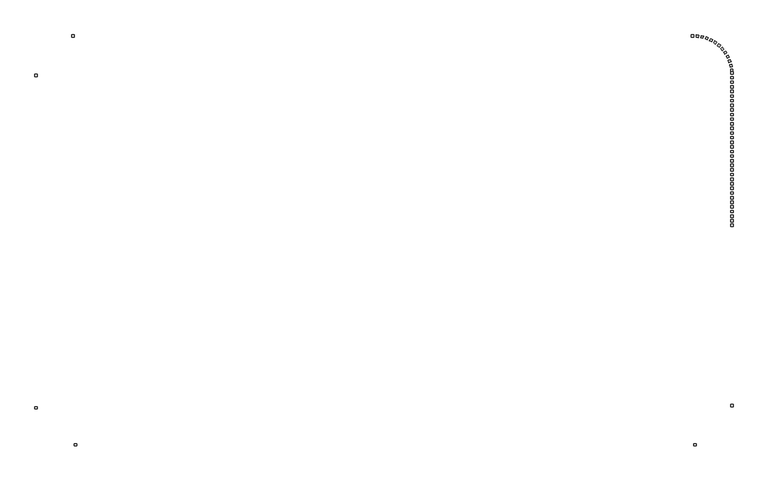
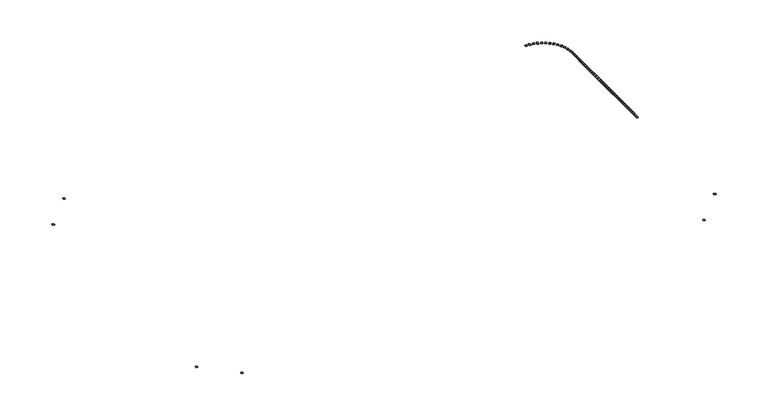
"""IFC4 building model written with IfcOpenShell, lengths in millimetres: railing geometry."""

import ifcopenshell
import ifcopenshell.guid

model = None  # the IFC model being written
_history = None  # IfcOwnerHistory: only IFC2X3 demands one
_inside = {}  # id of a spatial element -> (the spatial element, [elements in it])
_under = {}  # id of a project, library or spatial element -> (it, [spatial elements below it])
_declared = {}  # id of a project -> (the project, [libraries it declares])
_typed = {}  # id of a type object -> (the type object, [elements of that type])
_made_of = {}  # id of a material, layer set ... -> (it, [elements and type objects made of it])


def new_model(schema):
    """Start an empty IFC model of exactly this schema.

    Asked for "IFC4X3", IfcOpenShell would pick the latest addendum, in which some entities
    have other attributes; the version numbers below select the first issue.
    IFC2X3 requires an IfcOwnerHistory on every rooted entity: one is made here for all.
    """
    global model, _history
    if schema == "IFC4X3":
        model = ifcopenshell.file(schema_version=(4, 3, 0, 0))
    else:
        model = ifcopenshell.file(schema=schema)
    _inside.clear()
    _under.clear()
    _declared.clear()
    _typed.clear()
    _made_of.clear()
    _history = None
    if model.schema == "IFC2X3":
        org = make("IfcOrganization", Name="unknown")
        user = make(
            "IfcPersonAndOrganization",
            ThePerson=make("IfcPerson", FamilyName="unknown"),
            TheOrganization=org,
        )
        app = make(
            "IfcApplication",
            ApplicationDeveloper=org,
            Version="unknown",
            ApplicationFullName="unknown",
            ApplicationIdentifier="unknown",
        )
        _history = make(
            "IfcOwnerHistory",
            OwningUser=user,
            OwningApplication=app,
            ChangeAction="ADDED",
            CreationDate=0,
        )
    return model


def make(cls, **values):
    """One entity of the class cls with the attributes given. An attribute that is None is left unset."""
    return model.create_entity(
        cls, **{name: value for name, value in values.items() if value is not None}
    )


def rooted(cls, **values):
    """An entity with a GlobalId (a new one), such as an element, a storey or a relation."""
    return make(cls, GlobalId=ifcopenshell.guid.new(), OwnerHistory=_history, **values)


def si_unit(unit_type, name, prefix=None):
    """IfcSIUnit, for example si_unit("LENGTHUNIT", "METRE", prefix="MILLI")."""
    return make("IfcSIUnit", UnitType=unit_type, Prefix=prefix, Name=name)


def assignment(units):
    """IfcUnitAssignment: the units of a project."""
    return None if units is None else make("IfcUnitAssignment", Units=units)


def point(xyz):
    """IfcCartesianPoint."""
    return None if xyz is None else make("IfcCartesianPoint", Coordinates=xyz)


def direction(xyz):
    """IfcDirection."""
    return None if xyz is None else make("IfcDirection", DirectionRatios=xyz)


def frame(location, z_axis=None, x_axis=None):
    """IfcAxis2Placement3D, a coordinate frame: its origin and axes. An axis left out is left unset."""
    return make(
        "IfcAxis2Placement3D",
        Location=point(location),
        Axis=direction(z_axis),
        RefDirection=direction(x_axis),
    )


def origin():
    """The frame at (0, 0, 0) with its axes left unset."""
    return frame((0.0, 0.0, 0.0))


def origin_with_axes():
    """The frame at (0, 0, 0) with the z axis (0, 0, 1) and the x axis (1, 0, 0) written out."""
    return frame((0.0, 0.0, 0.0), z_axis=(0.0, 0.0, 1.0), x_axis=(1.0, 0.0, 0.0))


def place(relative_to, where):
    """IfcLocalPlacement: puts the frame where relative to a parent placement (None: the world)."""
    return make(
        "IfcLocalPlacement", PlacementRelTo=relative_to, RelativePlacement=where
    )


def context(
    kind, dimensions, precision=None, world=None, true_north=None, identifier=None
):
    """IfcGeometricRepresentationContext, for example the 3D "Model" context."""
    return make(
        "IfcGeometricRepresentationContext",
        ContextIdentifier=identifier,
        ContextType=kind,
        CoordinateSpaceDimension=dimensions,
        Precision=precision,
        WorldCoordinateSystem=world,
        TrueNorth=true_north,
    )


def project(units=None, contexts=None):
    """IfcProject with its units and contexts."""
    return rooted(
        "IfcProject",
        Name="project",
        RepresentationContexts=contexts,
        UnitsInContext=assignment(units),
    )


def spatial(cls, under=None, at=None, **own):
    """A site, building, storey or space (cls), placed at a placement, below another one or the project."""
    s = rooted(cls, ObjectPlacement=at, **own)
    if under is not None:
        _under.setdefault(under.id(), (under, []))[1].append(s)
    return s


def polyline(points):
    """IfcPolyline through the points."""
    return make("IfcPolyline", Points=[point(p) for p in points])


def outline(outer, holes=None, kind="AREA"):
    """IfcArbitraryClosedProfileDef: a profile drawn as a closed curve; with holes, ...WithVoids."""
    if holes is None:
        return make("IfcArbitraryClosedProfileDef", ProfileType=kind, OuterCurve=outer)
    return make(
        "IfcArbitraryProfileDefWithVoids",
        ProfileType=kind,
        OuterCurve=outer,
        InnerCurves=holes,
    )


def extrude(swept, where, along, depth):
    """IfcExtrudedAreaSolid: the profile swept, set in the frame where, extruded along a direction by depth."""
    return make(
        "IfcExtrudedAreaSolid",
        SweptArea=swept,
        Position=where,
        ExtrudedDirection=direction(along),
        Depth=depth,
    )


def shape(context_of_items, identifier, shape_type, items):
    """IfcShapeRepresentation: the items that make up one representation, for example the "Body"."""
    return make(
        "IfcShapeRepresentation",
        ContextOfItems=context_of_items,
        RepresentationIdentifier=identifier,
        RepresentationType=shape_type,
        Items=items,
    )


def source(mapping_origin, context_of_items, identifier, shape_type, items):
    """IfcRepresentationMap: a shape defined once, which mapped items show again and again."""
    return make(
        "IfcRepresentationMap",
        MappingOrigin=mapping_origin,
        MappedRepresentation=shape(context_of_items, identifier, shape_type, items),
    )


def transform(
    local_origin,
    x_axis=None,
    y_axis=None,
    z_axis=None,
    scale=None,
    scale2=None,
    scale3=None,
    uniform=True,
):
    """IfcCartesianTransformationOperator3D, or its non-uniform kind. x_axis, y_axis, z_axis: its Axis1, 2, 3."""
    if uniform:
        return make(
            "IfcCartesianTransformationOperator3D",
            Axis1=direction(x_axis),
            Axis2=direction(y_axis),
            LocalOrigin=point(local_origin),
            Scale=scale,
            Axis3=direction(z_axis),
        )
    return make(
        "IfcCartesianTransformationOperator3DnonUniform",
        Axis1=direction(x_axis),
        Axis2=direction(y_axis),
        LocalOrigin=point(local_origin),
        Scale=scale,
        Axis3=direction(z_axis),
        Scale2=scale2,
        Scale3=scale3,
    )


def mapped(mapping_source, mapping_target):
    """IfcMappedItem: shows the shape of a source again, moved by a transform."""
    return make(
        "IfcMappedItem", MappingSource=mapping_source, MappingTarget=mapping_target
    )


def made_of(thing, what):
    """Note that an element or type object is made of a material, layer set ...; save() writes the relation."""
    if what is not None:
        _made_of.setdefault(what.id(), (what, []))[1].append(thing)
    return thing


def element(
    cls,
    number,
    at=None,
    inside=None,
    cuts=None,
    type_object=None,
    material=None,
    context=None,
    identifier="Body",
    shape_type=None,
    held_by="IfcProductDefinitionShape",
    body=None,
    shapes=None,
    **own,
):
    """One element of the class cls, such as IfcWall. Its Tag is "e" and its number.

    at: its placement. inside: the storey or other place that contains it. cuts: it is an
    opening in that element (IfcRelVoidsElement). A single representation is given by context,
    identifier, shape_type and body (its items); several are given by shapes. held_by: the class
    of the entity that holds the representations. save() writes the other relations.
    """
    e = rooted(cls, Tag="e%d" % number, ObjectPlacement=at, **own)
    if body is not None:
        shapes = [shape(context, identifier, shape_type, body)]
    if shapes is not None:
        e.Representation = make(held_by, Representations=shapes)
    if inside is not None:
        _inside.setdefault(inside.id(), (inside, []))[1].append(e)
    if cuts is not None:
        rooted(
            "IfcRelVoidsElement", RelatingBuildingElement=cuts, RelatedOpeningElement=e
        )
    if type_object is not None:
        _typed.setdefault(type_object.id(), (type_object, []))[1].append(e)
    return made_of(e, material)


def aggregate(whole, parts):
    """IfcRelAggregates: a whole, such as a stair, and the parts it consists of."""
    return rooted("IfcRelAggregates", RelatingObject=whole, RelatedObjects=parts)


def save(model, path):
    """Write the relations noted so far, then the file.

    IfcRelAggregates (storeys below a building ...), IfcRelContainedInSpatialStructure (elements
    in a storey), IfcRelDefinesByType, IfcRelAssociatesMaterial and IfcRelDeclares: one each for
    every whole, place, type object, material and project.
    """
    for whole, parts in _under.values():
        aggregate(whole, parts)
    for where, things in _inside.values():
        rooted(
            "IfcRelContainedInSpatialStructure",
            RelatedElements=things,
            RelatingStructure=where,
        )
    for kind, things in _typed.values():
        rooted("IfcRelDefinesByType", RelatedObjects=things, RelatingType=kind)
    for what, things in _made_of.values():
        rooted("IfcRelAssociatesMaterial", RelatedObjects=things, RelatingMaterial=what)
    for by, libraries in _declared.values():
        rooted("IfcRelDeclares", RelatingContext=by, RelatedDefinitions=libraries)
    model.write(path)


def railing_a54d69c4(model_context):
    return source(origin(), model_context, "Body", "SweptSolid", [
        extrude(outline(polyline([(72868.8585137, -4295.8215503), (72368.8585137, -4295.8215503), (72368.8585137, -3795.8215503), (72868.8585137, -3795.8215503), (72868.8585137, -4295.8215503)])), origin_with_axes(), (0.0, 0.0, 1.0), 200.0),
        extrude(outline(polyline([(72868.8585137, -3295.8215503), (72368.8585137, -3295.8215503), (72368.8585137, -2795.8215503), (72868.8585137, -2795.8215503), (72868.8585137, -3295.8215503)])), origin_with_axes(), (0.0, 0.0, 1.0), 200.0),
        extrude(outline(polyline([(72868.8585137, -2295.8215503), (72368.8585137, -2295.8215503), (72368.8585137, -1795.8215503), (72868.8585137, -1795.8215503), (72868.8585137, -2295.8215503)])), origin_with_axes(), (0.0, 0.0, 1.0), 200.0),
        extrude(outline(polyline([(72868.8585137, -1295.8215503), (72368.8585137, -1295.8215503), (72368.8585137, -795.8215503), (72868.8585137, -795.8215503), (72868.8585137, -1295.8215503)])), origin_with_axes(), (0.0, 0.0, 1.0), 200.0),
        extrude(outline(polyline([(72868.8585137, -295.8215503), (72368.8585137, -295.8215503), (72368.8585137, 204.1784497), (72868.8585137, 204.1784497), (72868.8585137, -295.8215503)])), origin_with_axes(), (0.0, 0.0, 1.0), 200.0),
        extrude(outline(polyline([(72868.8585137, 704.1784497), (72368.8585137, 704.1784497), (72368.8585137, 1204.1784497), (72868.8585137, 1204.1784497), (72868.8585137, 704.1784497)])), origin_with_axes(), (0.0, 0.0, 1.0), 200.0),
        extrude(outline(polyline([(72868.8585137, 1704.1784497), (72368.8585137, 1704.1784497), (72368.8585137, 2204.1784497), (72868.8585137, 2204.1784497), (72868.8585137, 1704.1784497)])), origin_with_axes(), (0.0, 0.0, 1.0), 200.0),
        extrude(outline(polyline([(72868.8585137, 2704.1784497), (72368.8585137, 2704.1784497), (72368.8585137, 3204.1784497), (72868.8585137, 3204.1784497), (72868.8585137, 2704.1784497)])), origin_with_axes(), (0.0, 0.0, 1.0), 200.0),
        extrude(outline(polyline([(72868.8585137, 3704.1784497), (72368.8585137, 3704.1784497), (72368.8585137, 4204.1784497), (72868.8585137, 4204.1784497), (72868.8585137, 3704.1784497)])), origin_with_axes(), (0.0, 0.0, 1.0), 200.0),
        extrude(outline(polyline([(72868.8585137, 4704.1784497), (72368.8585137, 4704.1784497), (72368.8585137, 5204.1784497), (72868.8585137, 5204.1784497), (72868.8585137, 4704.1784497)])), origin_with_axes(), (0.0, 0.0, 1.0), 200.0),
        extrude(outline(polyline([(72868.8585137, 5704.1784497), (72368.8585137, 5704.1784497), (72368.8585137, 6204.1784497), (72868.8585137, 6204.1784497), (72868.8585137, 5704.1784497)])), origin_with_axes(), (0.0, 0.0, 1.0), 200.0),
        extrude(outline(polyline([(72868.8585137, 6704.1784497), (72368.8585137, 6704.1784497), (72368.8585137, 7204.1784497), (72868.8585137, 7204.1784497), (72868.8585137, 6704.1784497)])), origin_with_axes(), (0.0, 0.0, 1.0), 200.0),
        extrude(outline(polyline([(72868.8585137, 7704.1784497), (72368.8585137, 7704.1784497), (72368.8585137, 8204.1784497), (72868.8585137, 8204.1784497), (72868.8585137, 7704.1784497)])), origin_with_axes(), (0.0, 0.0, 1.0), 200.0),
        extrude(outline(polyline([(72868.8585137, 8704.1784497), (72368.8585137, 8704.1784497), (72368.8585137, 9204.1784497), (72868.8585137, 9204.1784497), (72868.8585137, 8704.1784497)])), origin_with_axes(), (0.0, 0.0, 1.0), 200.0),
        extrude(outline(polyline([(72868.8585137, 9704.1784497), (72368.8585137, 9704.1784497), (72368.8585137, 10204.1784497), (72868.8585137, 10204.1784497), (72868.8585137, 9704.1784497)])), origin_with_axes(), (0.0, 0.0, 1.0), 200.0),
        extrude(outline(polyline([(72868.8585137, 10704.1784497), (72368.8585137, 10704.1784497), (72368.8585137, 11204.1784497), (72868.8585137, 11204.1784497), (72868.8585137, 10704.1784497)])), origin_with_axes(), (0.0, 0.0, 1.0), 200.0),
        extrude(outline(polyline([(72868.8585137, 11704.1784497), (72368.8585137, 11704.1784497), (72368.8585137, 12204.1784497), (72868.8585137, 12204.1784497), (72868.8585137, 11704.1784497)])), origin_with_axes(), (0.0, 0.0, 1.0), 200.0),
        extrude(outline(polyline([(72868.8585137, 12704.1784497), (72368.8585137, 12704.1784497), (72368.8585137, 13204.1784497), (72868.8585137, 13204.1784497), (72868.8585137, 12704.1784497)])), origin_with_axes(), (0.0, 0.0, 1.0), 200.0),
        extrude(outline(polyline([(72868.8585137, 13704.1784497), (72368.8585137, 13704.1784497), (72368.8585137, 14204.1784497), (72868.8585137, 14204.1784497), (72868.8585137, 13704.1784497)])), origin_with_axes(), (0.0, 0.0, 1.0), 200.0),
        extrude(outline(polyline([(72868.8585137, 14704.1784497), (72368.8585137, 14704.1784497), (72368.8585137, 15204.1784497), (72868.8585137, 15204.1784497), (72868.8585137, 14704.1784497)])), origin_with_axes(), (0.0, 0.0, 1.0), 200.0),
        extrude(outline(polyline([(72868.8585137, 15704.1784497), (72368.8585137, 15704.1784497), (72368.8585137, 16204.1784497), (72868.8585137, 16204.1784497), (72868.8585137, 15704.1784497)])), origin_with_axes(), (0.0, 0.0, 1.0), 200.0),
        extrude(outline(polyline([(72868.8585137, 16704.1784497), (72368.8585137, 16704.1784497), (72368.8585137, 17204.1784497), (72868.8585137, 17204.1784497), (72868.8585137, 16704.1784497)])), origin_with_axes(), (0.0, 0.0, 1.0), 200.0),
        extrude(outline(polyline([(72868.8585137, 17704.1784497), (72368.8585137, 17704.1784497), (72368.8585137, 18204.1784497), (72868.8585137, 18204.1784497), (72868.8585137, 17704.1784497)])), origin_with_axes(), (0.0, 0.0, 1.0), 200.0),
        extrude(outline(polyline([(72868.8585137, 18704.1784497), (72368.8585137, 18704.1784497), (72368.8585137, 19204.1784497), (72868.8585137, 19204.1784497), (72868.8585137, 18704.1784497)])), origin_with_axes(), (0.0, 0.0, 1.0), 200.0),
        extrude(outline(polyline([(72868.8585137, 19704.1784497), (72368.8585137, 19704.1784497), (72368.8585137, 20204.1784497), (72868.8585137, 20204.1784497), (72868.8585137, 19704.1784497)])), origin_with_axes(), (0.0, 0.0, 1.0), 200.0),
        extrude(outline(polyline([(72868.8585137, 20704.1784497), (72368.8585137, 20704.1784497), (72368.8585137, 21204.1784497), (72868.8585137, 21204.1784497), (72868.8585137, 20704.1784497)])), origin_with_axes(), (0.0, 0.0, 1.0), 200.0),
        extrude(outline(polyline([(72868.8585137, 21704.1784497), (72368.8585137, 21704.1784497), (72368.8585137, 22204.1784497), (72868.8585137, 22204.1784497), (72868.8585137, 21704.1784497)])), origin_with_axes(), (0.0, 0.0, 1.0), 200.0),
        extrude(outline(polyline([(72868.8585137, 22704.1784497), (72368.8585137, 22704.1784497), (72368.8585137, 23204.1784497), (72868.8585137, 23204.1784497), (72868.8585137, 22704.1784497)])), origin_with_axes(), (0.0, 0.0, 1.0), 200.0),
        extrude(outline(polyline([(72868.8585137, 23704.1784497), (72368.8585137, 23704.1784497), (72368.8585137, 24204.1784497), (72868.8585137, 24204.1784497), (72868.8585137, 23704.1784497)])), origin_with_axes(), (0.0, 0.0, 1.0), 200.0),
        extrude(outline(polyline([(72868.8585137, 24704.1784497), (72368.8585137, 24704.1784497), (72368.8585137, 25204.1784497), (72868.8585137, 25204.1784497), (72868.8585137, 24704.1784497)])), origin_with_axes(), (0.0, 0.0, 1.0), 200.0),
        extrude(outline(polyline([(72868.8585137, 25704.1784497), (72368.8585137, 25704.1784497), (72368.8585137, 26204.1784497), (72868.8585137, 26204.1784497), (72868.8585137, 25704.1784497)])), origin_with_axes(), (0.0, 0.0, 1.0), 200.0),
        extrude(outline(polyline([(72868.8585137, 26704.1784497), (72368.8585137, 26704.1784497), (72368.8585137, 27204.1784497), (72868.8585137, 27204.1784497), (72868.8585137, 26704.1784497)])), origin_with_axes(), (0.0, 0.0, 1.0), 200.0),
        extrude(outline(polyline([(72868.8585137, 27704.1784497), (72368.8585137, 27704.1784497), (72368.8585137, 28204.1784497), (72868.8585137, 28204.1784497), (72868.8585137, 27704.1784497)])), origin_with_axes(), (0.0, 0.0, 1.0), 200.0),
        extrude(outline(polyline([(72847.5658999, 29305.4446639), (72348.8184066, 29270.0760631), (72313.4498057, 29768.8235564), (72812.197299, 29804.1921572), (72847.5658999, 29305.4446639)])), origin_with_axes(), (0.0, 0.0, 1.0), 200.0),
        extrude(outline(polyline([(72706.4494984, 30357.8339676), (72216.0029699, 30260.5601136), (72118.7291159, 30751.0066422), (72609.1756444, 30848.2804962), (72706.4494984, 30357.8339676)])), origin_with_axes(), (0.0, 0.0, 1.0), 200.0),
        extrude(outline(polyline([(72435.2277783, 31384.4185301), (71960.7354686, 31226.7573489), (71803.0742874, 31701.2496586), (72277.5665971, 31858.9108398), (72435.2277783, 31384.4185301)])), origin_with_axes(), (0.0, 0.0, 1.0), 200.0),
        extrude(outline(polyline([(72038.1330636, 32369.1788425), (71586.9992665, 32153.5905841), (71371.4110081, 32604.7243812), (71822.5448052, 32820.3126396), (72038.1330636, 32369.1788425)])), origin_with_axes(), (0.0, 0.0, 1.0), 200.0),
        extrude(outline(polyline([(71521.3618846, 33296.7480496), (71100.6263922, 33026.5968967), (70830.4752393, 33447.3323891), (71251.2107317, 33717.483542), (71521.3618846, 33296.7480496)])), origin_with_axes(), (0.0, 0.0, 1.0), 200.0),
        extrude(outline(polyline([(70892.9782827, 34152.6517441), (70509.2065316, 33832.153315), (70188.7081025, 34215.9250662), (70572.4798537, 34536.4234952), (70892.9782827, 34152.6517441)])), origin_with_axes(), (0.0, 0.0, 1.0), 200.0),
        extrude(outline(polyline([(70162.7879739, 34923.5338352), (69821.9685939, 34557.6894007), (69456.1241595, 34898.5087807), (69796.9435395, 35264.3532152), (70162.7879739, 34923.5338352)])), origin_with_axes(), (0.0, 0.0, 1.0), 200.0),
        extrude(outline(polyline([(69342.1853337, 35597.3649655), (69049.6366973, 35191.8834058), (68644.1551375, 35484.4320422), (68936.703774, 35889.913602), (69342.1853337, 35597.3649655)])), origin_with_axes(), (0.0, 0.0, 1.0), 200.0),
        extrude(outline(polyline([(68443.9755919, 36163.6302258), (68204.2628226, 35724.8389449), (67765.4715416, 35964.5517142), (68005.1843109, 36403.3429951), (68443.9755919, 36163.6302258)])), origin_with_axes(), (0.0, 0.0, 1.0), 200.0),
        extrude(outline(polyline([(67482.175011, 36613.493236), (67299.0387464, 36148.239425), (66833.7849355, 36331.3756896), (67016.9212, 36796.6295005), (67482.175011, 36613.493236)])), origin_with_axes(), (0.0, 0.0, 1.0), 200.0),
        extrude(outline(polyline([(66471.7921674, 36939.9340343), (66348.0901878, 36455.4778234), (65863.6339769, 36579.179803), (65987.3359565, 37063.6360139), (66471.7921674, 36939.9340343)])), origin_with_axes(), (0.0, 0.0, 1.0), 200.0),
        extrude(outline(polyline([(65428.5937475, 37137.8586212), (65366.2563808, 36641.7597876), (64870.1575472, 36704.0971543), (64932.4949139, 37200.1959879), (65428.5937475, 37137.8586212)])), origin_with_axes(), (0.0, 0.0, 1.0), 200.0),
        extrude(outline(polyline([(64368.8585137, 37204.1784497), (64368.8585137, 36704.1784497), (63868.8585137, 36704.1784497), (63868.8585137, 37204.1784497), (64368.8585137, 37204.1784497)])), origin_with_axes(), (0.0, 0.0, 1.0), 200.0),
        extrude(outline(polyline([(-69631.1414863, 37204.1784497), (-69631.1414863, 36704.1784497), (-70131.1414863, 36704.1784497), (-70131.1414863, 37204.1784497), (-69631.1414863, 37204.1784497)])), origin_with_axes(), (0.0, 0.0, 1.0), 200.0),
        extrude(outline(polyline([(-78131.1414863, 28704.1784497), (-77631.1414863, 28704.1784497), (-77631.1414863, 28204.1784497), (-78131.1414863, 28204.1784497), (-78131.1414863, 28704.1784497)])), origin_with_axes(), (0.0, 0.0, 1.0), 200.0),
        extrude(outline(polyline([(-78131.1414863, -43295.8215503), (-77631.1414863, -43295.8215503), (-77631.1414863, -43795.8215503), (-78131.1414863, -43795.8215503), (-78131.1414863, -43295.8215503)])), origin_with_axes(), (0.0, 0.0, 1.0), 200.0),
        extrude(outline(polyline([(-69631.1414863, -51795.8215503), (-69631.1414863, -51295.8215503), (-69131.1414863, -51295.8215503), (-69131.1414863, -51795.8215503), (-69631.1414863, -51795.8215503)])), origin_with_axes(), (0.0, 0.0, 1.0), 200.0),
        extrude(outline(polyline([(64368.8585137, -51795.8215503), (64368.8585137, -51295.8215503), (64868.8585137, -51295.8215503), (64868.8585137, -51795.8215503), (64368.8585137, -51795.8215503)])), origin_with_axes(), (0.0, 0.0, 1.0), 200.0),
        extrude(outline(polyline([(72868.8585137, -43295.8215503), (72368.8585137, -43295.8215503), (72368.8585137, -42795.8215503), (72868.8585137, -42795.8215503), (72868.8585137, -43295.8215503)])), origin_with_axes(), (0.0, 0.0, 1.0), 200.0),
        extrude(outline(polyline([(72868.8585137, 28704.1784497), (72368.8585137, 28704.1784497), (72368.8585137, 29204.1784497), (72868.8585137, 29204.1784497), (72868.8585137, 28704.1784497)])), origin_with_axes(), (0.0, 0.0, 1.0), 200.0),
    ])


if __name__ == "__main__":
    model = new_model("IFC4")
    model_context = context("Model", 3, world=origin())
    ifc_project = project(units=[si_unit("LENGTHUNIT", "METRE", prefix="MILLI")], contexts=[model_context])
    site = spatial("IfcSite", under=ifc_project)
    building = spatial("IfcBuilding", under=site)
    placement = place(None, origin())
    railing_shape = railing_a54d69c4(model_context)
    element("IfcRailing", 1, at=placement, inside=building, context=model_context, shape_type="MappedRepresentation", body=[
        mapped(railing_shape, transform((0.0, 0.0, 0.0), x_axis=(1.0, 0.0, 0.0), y_axis=(0.0, 1.0, 0.0), z_axis=(0.0, 0.0, 1.0))),
    ])
    save(model, "model.ifc")
